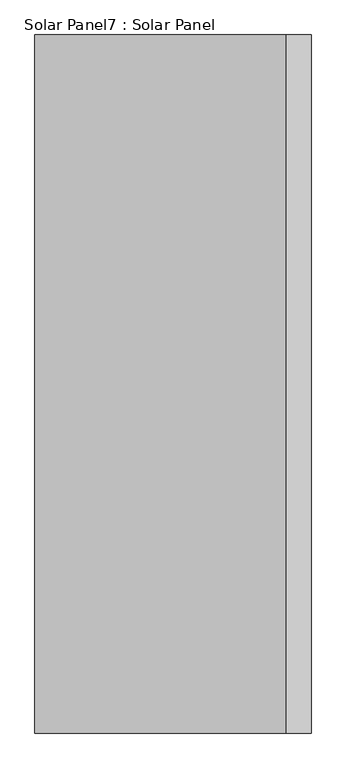
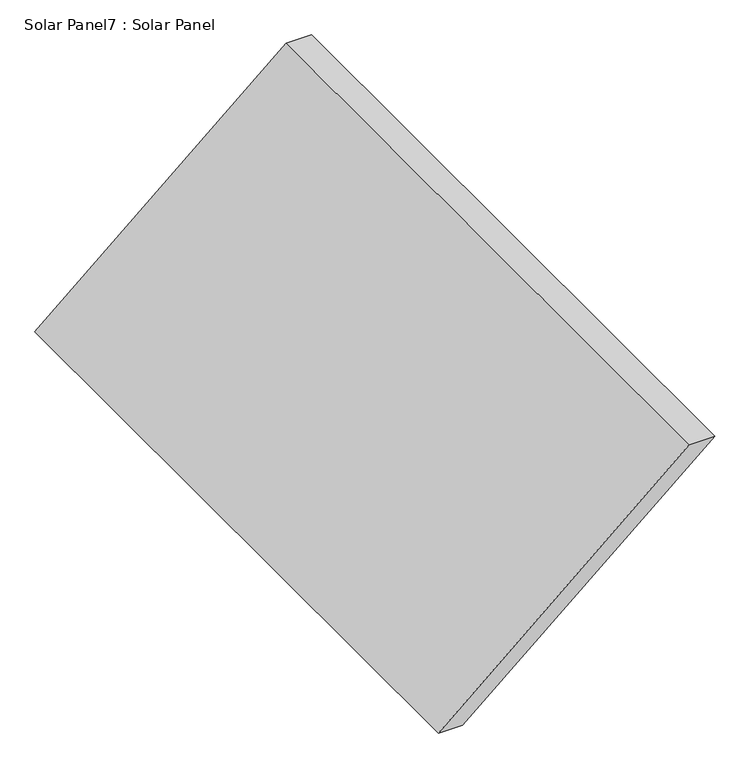
"""IFC4 building model written with IfcOpenShell, lengths in millimetres: air terminal geometry, Solar Panel7 : Solar Panel."""

from ifc_helpers import new_model, si_unit, frame, origin, place, context, project, spatial, polyline, outline, extrude, source, transform, mapped, element, save


def solar_panel7_solar_panel_19f920ec(model_context):
    return source(origin(), model_context, "Body", "SweptSolid", [
        extrude(outline(polyline([(5700.0, 25094.3403553), (5700.0, 25194.3403553), (6600.0, 26241.2567874), (6600.0, 26135.3393037), (5700.0, 25094.3403553)])), frame((0.0, 8117.5338018, 0.0), z_axis=(0.0, 1.0, 0.0), x_axis=(0.0, 0.0, 1.0)), (0.0, 0.0, 1.0), 2900.0),
    ])


if __name__ == "__main__":
    model = new_model("IFC4")
    model_context = context("Model", 3, world=origin())
    ifc_project = project(units=[si_unit("LENGTHUNIT", "METRE", prefix="MILLI")], contexts=[model_context])
    site = spatial("IfcSite", under=ifc_project)
    building = spatial("IfcBuilding", under=site)
    placement = place(None, origin())
    solar_panel7_solar_panel_shape = solar_panel7_solar_panel_19f920ec(model_context)
    element("IfcAirTerminal", 1, ObjectType="Solar Panel7 : Solar Panel", at=placement, inside=building, context=model_context, shape_type="MappedRepresentation", body=[
        mapped(solar_panel7_solar_panel_shape, transform((0.0, 0.0, 0.0), x_axis=(1.0, 0.0, 0.0), y_axis=(0.0, 1.0, 0.0), z_axis=(0.0, 0.0, 1.0))),
    ])
    save(model, "model.ifc")
